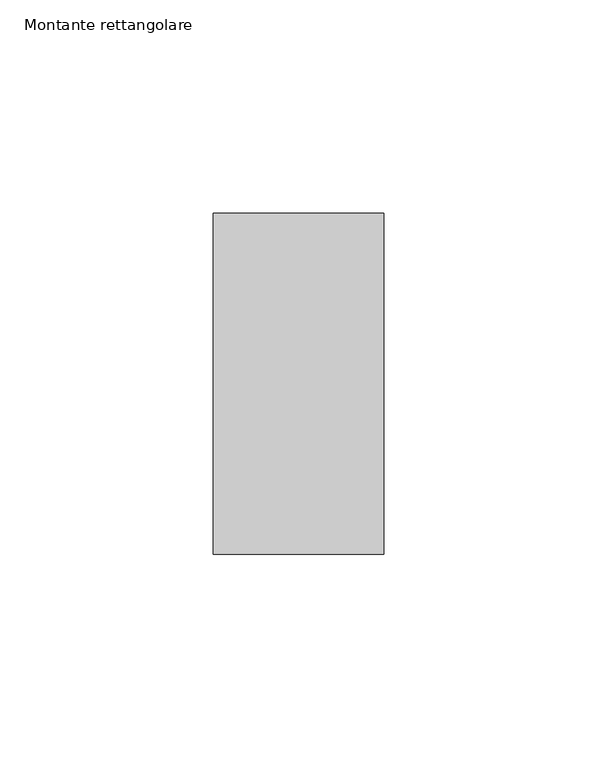
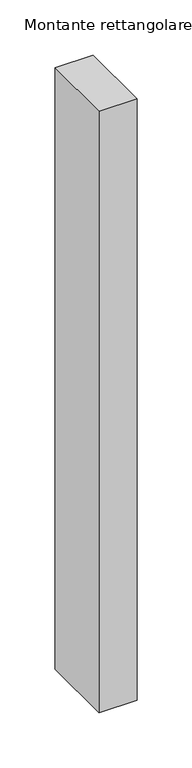
"""IFC4 building model written with IfcOpenShell, lengths in millimetres: member geometry, Montante rettangolare."""

from ifc_helpers import new_model, si_unit, frame, origin, place, context, project, spatial, polyline, outline, extrude, source, transform, mapped, element, save


def montante_rettangolare_090fb910(model_context):
    return source(origin(), model_context, "Body", "SweptSolid", [
        extrude(outline(polyline([(20.0, 60.0), (20.0, -20.0), (-20.0, -20.0), (-20.0, 60.0), (20.0, 60.0)])), frame((0.0, 0.0, -667.3166263), z_axis=(0.0, 0.0, 1.0), x_axis=(1.0, 0.0, 0.0)), (0.0, 0.0, 1.0), 667.3166263),
    ])


if __name__ == "__main__":
    model = new_model("IFC4")
    model_context = context("Model", 3, world=origin())
    ifc_project = project(units=[si_unit("LENGTHUNIT", "METRE", prefix="MILLI")], contexts=[model_context])
    site = spatial("IfcSite", under=ifc_project)
    building = spatial("IfcBuilding", under=site)
    placement = place(None, origin())
    montante_rettangolare_shape = montante_rettangolare_090fb910(model_context)
    element("IfcMember", 1, ObjectType="Montante rettangolare", at=placement, inside=building, context=model_context, shape_type="MappedRepresentation", body=[
        mapped(montante_rettangolare_shape, transform((0.0, 0.0, 0.0), x_axis=(1.0, 0.0, 0.0), y_axis=(0.0, 1.0, 0.0), z_axis=(0.0, 0.0, 1.0))),
    ])
    save(model, "model.ifc")
